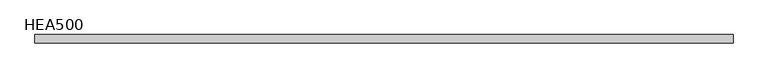
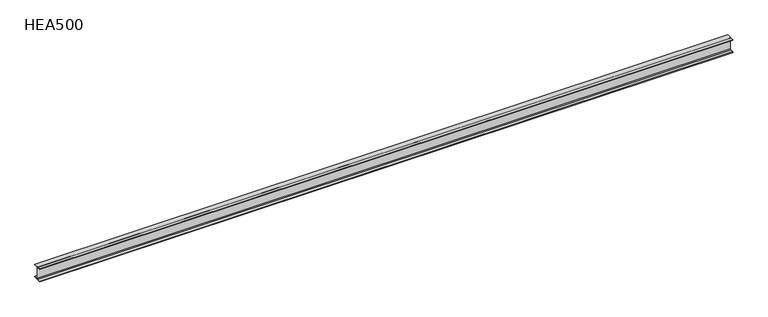
"""IFC4 building model written with IfcOpenShell, lengths in millimetres: beam geometry, HEA500."""

from ifc_helpers import new_model, si_unit, point, frame, frame_2d, origin, place, context, project, spatial, polyline, circle_curve, trimmed, segment, composite_curve, outline, extrude, source, transform, mapped, element, save


def hea500_22c94b6e(model_context):
    return source(origin(), model_context, "Body", "SweptSolid", [
        extrude(outline(composite_curve([segment(polyline([(150.0, -222.0), (150.0, -245.0), (-150.0, -245.0), (-150.0, -222.0), (-33.0, -222.0)]), True, "CONTINUOUS"), segment(trimmed(circle_curve(frame_2d((-33.0, -195.0)), 27.0), [point((-33.0, -222.0))], [point((-6.0, -195.0))], True, "CARTESIAN"), True, "CONTINUOUS"), segment(polyline([(-6.0, -195.0), (-6.0, 195.0)]), True, "CONTINUOUS"), segment(trimmed(circle_curve(frame_2d((-33.0, 195.0)), 27.0), [point((-6.0, 195.0))], [point((-33.0, 222.0))], True, "CARTESIAN"), True, "CONTINUOUS"), segment(polyline([(-33.0, 222.0), (-150.0, 222.0), (-150.0, 245.0), (150.0, 245.0), (150.0, 222.0), (33.0, 222.0)]), True, "CONTINUOUS"), segment(trimmed(circle_curve(frame_2d((33.0, 195.0)), 27.0), [point((33.0, 222.0))], [point((6.0, 195.0))], True, "CARTESIAN"), True, "CONTINUOUS"), segment(polyline([(6.0, 195.0), (6.0, -195.0)]), True, "CONTINUOUS"), segment(trimmed(circle_curve(frame_2d((33.0, -195.0)), 27.0), [point((6.0, -195.0))], [point((33.0, -222.0))], True, "CARTESIAN"), True, "CONTINUOUS"), segment(polyline([(33.0, -222.0), (150.0, -222.0)]), True, "CONTINUOUS")], self_intersect=False)), frame((-12500.0, 0.0, 0.0), z_axis=(1.0, 0.0, 0.0), x_axis=(0.0, 1.0, 0.0)), (0.0, 0.0, 1.0), 25000.0),
    ])


if __name__ == "__main__":
    model = new_model("IFC4")
    model_context = context("Model", 3, world=origin())
    ifc_project = project(units=[si_unit("LENGTHUNIT", "METRE", prefix="MILLI")], contexts=[model_context])
    site = spatial("IfcSite", under=ifc_project)
    building = spatial("IfcBuilding", under=site)
    placement = place(None, origin())
    hea500_shape = hea500_22c94b6e(model_context)
    element("IfcBeam", 1, ObjectType="HEA500", at=placement, inside=building, context=model_context, shape_type="MappedRepresentation", body=[
        mapped(hea500_shape, transform((0.0, 0.0, 0.0), x_axis=(1.0, 0.0, 0.0), y_axis=(0.0, 1.0, 0.0), z_axis=(0.0, 0.0, 1.0))),
    ])
    save(model, "model.ifc")
